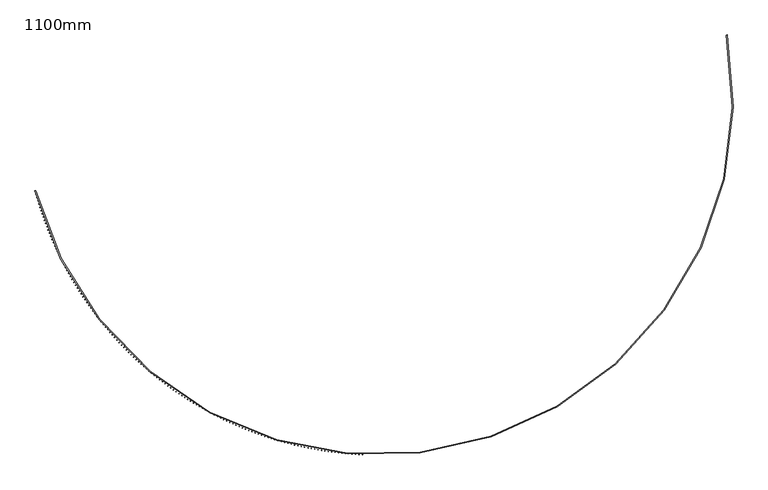
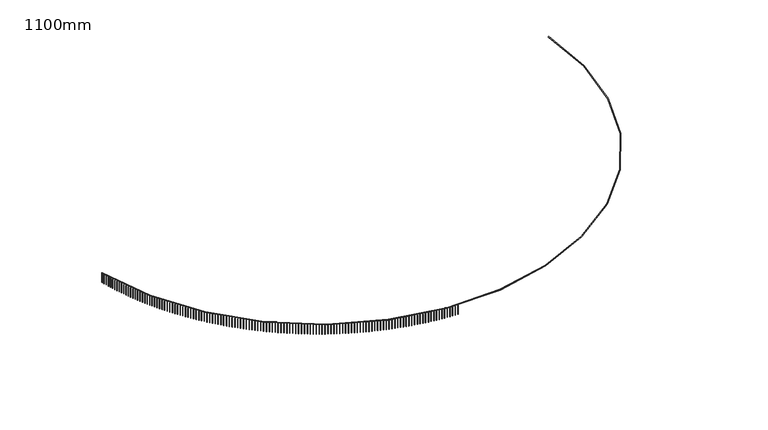
"""IFC4 building model written with IfcOpenShell, lengths in millimetres: railing geometry, 1100mm."""

from ifc_helpers import new_model, si_unit, point, frame, frame_2d, origin, place, context, project, spatial, polyline, circle_curve, trimmed, segment, composite_curve, outline, extrude, source, transform, mapped, element, save


def railing_1100mm_a543dc7d(model_context):
    return source(origin(), model_context, "Body", "SweptSolid", [
        extrude(outline(composite_curve([segment(trimmed(circle_curve(frame_2d((-9136.8690583, -54154.7608855)), 28388.8165606), [point((-36585.4829825, -61400.3457034))], [point((18767.7276518, -48933.8042532))], True, "CARTESIAN"), True, "CONTINUOUS"), segment(polyline([(18767.7276518, -48933.8042532), (18816.8748162, -48924.6088071)]), True, "CONTINUOUS"), segment(trimmed(circle_curve(frame_2d((-9136.8690583, -54154.7608855)), 28438.8165606), [point((18816.8748162, -48924.6088071))], [point((-36633.8270441, -61413.1070399))], False, "CARTESIAN"), True, "CONTINUOUS"), segment(polyline([(-36633.8270441, -61413.1070399), (-36585.4829825, -61400.3457034)]), True, "CONTINUOUS")], self_intersect=False)), frame((0.0, 0.0, 15650.0), z_axis=(0.0, 0.0, 1.0), x_axis=(1.0, 0.0, 0.0)), (0.0, 0.0, 1.0), 50.0),
        extrude(outline(polyline([(-36591.3081731, -61427.223434), (-36615.4775056, -61433.6143155), (-36621.8683871, -61409.444983), (-36597.6990545, -61403.0541015), (-36591.3081731, -61427.223434)])), frame((0.0, 0.0, 14600.0), z_axis=(0.0, 0.0, 1.0), x_axis=(1.0, 0.0, 0.0)), (0.0, 0.0, 1.0), 1050.0),
        extrude(outline(polyline([(-36519.6377071, -61692.593449), (-36543.7440551, -61699.2179477), (-36550.3685538, -61675.1115996), (-36526.2622058, -61668.4871009), (-36519.6377071, -61692.593449)])), frame((0.0, 0.0, 14600.0), z_axis=(0.0, 0.0, 1.0), x_axis=(1.0, 0.0, 0.0)), (0.0, 0.0, 1.0), 1050.0),
        extrude(outline(polyline([(-36445.4022833, -61957.2573914), (-36469.4433889, -61964.1148868), (-36476.3008843, -61940.0737813), (-36452.2597788, -61933.2162858), (-36445.4022833, -61957.2573914)])), frame((0.0, 0.0, 14600.0), z_axis=(0.0, 0.0, 1.0), x_axis=(1.0, 0.0, 0.0)), (0.0, 0.0, 1.0), 1050.0),
        extrude(outline(polyline([(-36368.6088556, -62221.19047), (-36392.5824667, -62228.2803198), (-36399.6723165, -62204.3067087), (-36375.6987054, -62197.2168589), (-36368.6088556, -62221.19047)])), frame((0.0, 0.0, 14600.0), z_axis=(0.0, 0.0, 1.0), x_axis=(1.0, 0.0, 0.0)), (0.0, 0.0, 1.0), 1050.0),
        extrude(outline(polyline([(-36289.264617, -62484.3679621), (-36313.1684881, -62491.6895022), (-36320.4900282, -62467.7856312), (-36296.5861571, -62460.4640911), (-36289.264617, -62484.3679621)])), frame((0.0, 0.0, 14600.0), z_axis=(0.0, 0.0, 1.0), x_axis=(1.0, 0.0, 0.0)), (0.0, 0.0, 1.0), 1050.0),
        extrude(outline(polyline([(-36207.3769999, -62746.7652157), (-36231.2088918, -62754.3177603), (-36238.7614364, -62730.4858684), (-36214.9295445, -62722.9333238), (-36207.3769999, -62746.7652157)])), frame((0.0, 0.0, 14600.0), z_axis=(0.0, 0.0, 1.0), x_axis=(1.0, 0.0, 0.0)), (0.0, 0.0, 1.0), 1050.0),
        extrude(outline(polyline([(-36122.9536747, -63008.357652), (-36146.7113551, -63016.1404936), (-36154.4941967, -62992.3828132), (-36130.7365163, -62984.5999716), (-36122.9536747, -63008.357652)])), frame((0.0, 0.0, 14600.0), z_axis=(0.0, 0.0, 1.0), x_axis=(1.0, 0.0, 0.0)), (0.0, 0.0, 1.0), 1050.0),
        extrude(outline(polyline([(-36036.0025494, -63269.1207673), (-36059.6837929, -63277.1331769), (-36067.6962025, -63253.4519335), (-36044.014959, -63245.4395239), (-36036.0025494, -63269.1207673)])), frame((0.0, 0.0, 14600.0), z_axis=(0.0, 0.0, 1.0), x_axis=(1.0, 0.0, 0.0)), (0.0, 0.0, 1.0), 1050.0),
        extrude(outline(polyline([(-35946.5317687, -63529.030136), (-35970.1343571, -63537.2713631), (-35978.3755841, -63513.6687748), (-35954.7729958, -63505.4275477), (-35946.5317687, -63529.030136)])), frame((0.0, 0.0, 14600.0), z_axis=(0.0, 0.0, 1.0), x_axis=(1.0, 0.0, 0.0)), (0.0, 0.0, 1.0), 1050.0),
        extrude(outline(polyline([(-35854.5497134, -63788.0614122), (-35878.0714358, -63796.5306848), (-35886.5407084, -63773.0089625), (-35863.018986, -63764.5396899), (-35854.5497134, -63788.0614122)])), frame((0.0, 0.0, 14600.0), z_axis=(0.0, 0.0, 1.0), x_axis=(1.0, 0.0, 0.0)), (0.0, 0.0, 1.0), 1050.0),
        extrude(outline(polyline([(-35760.0649996, -64046.1903323), (-35783.5036526, -64054.8868571), (-35792.2001774, -64031.448204), (-35768.7615243, -64022.7516793), (-35760.0649996, -64046.1903323)])), frame((0.0, 0.0, 14600.0), z_axis=(0.0, 0.0, 1.0), x_axis=(1.0, 0.0, 0.0)), (0.0, 0.0, 1.0), 1050.0),
        extrude(outline(polyline([(-35663.0864775, -64303.3927172), (-35686.4398658, -64312.3156796), (-35695.3628281, -64288.9622913), (-35672.0094399, -64280.039329), (-35663.0864775, -64303.3927172)])), frame((0.0, 0.0, 14600.0), z_axis=(0.0, 0.0, 1.0), x_axis=(1.0, 0.0, 0.0)), (0.0, 0.0, 1.0), 1050.0),
        extrude(outline(polyline([(-35563.6232314, -64559.6444747), (-35586.8891673, -64568.7930388), (-35596.0377314, -64545.5271029), (-35572.7717955, -64536.3785387), (-35563.6232314, -64559.6444747)])), frame((0.0, 0.0, 14600.0), z_axis=(0.0, 0.0, 1.0), x_axis=(1.0, 0.0, 0.0)), (0.0, 0.0, 1.0), 1050.0),
        extrude(outline(polyline([(-35461.6845778, -64814.9216014), (-35484.8608821, -64824.2949104), (-35494.234191, -64801.1186061), (-35471.0578868, -64791.7452972), (-35461.6845778, -64814.9216014)])), frame((0.0, 0.0, 14600.0), z_axis=(0.0, 0.0, 1.0), x_axis=(1.0, 0.0, 0.0)), (0.0, 0.0, 1.0), 1050.0),
        extrude(outline(polyline([(-35357.2800656, -65069.2001856), (-35380.3645673, -65078.7973613), (-35389.961743, -65055.7128597), (-35366.8772413, -65046.1156839), (-35357.2800656, -65069.2001856)])), frame((0.0, 0.0, 14600.0), z_axis=(0.0, 0.0, 1.0), x_axis=(1.0, 0.0, 0.0)), (0.0, 0.0, 1.0), 1050.0),
        extrude(outline(polyline([(-35250.4194743, -65322.4564087), (-35273.410011, -65332.2765523), (-35283.2301546, -65309.2860156), (-35260.2396179, -65299.465872), (-35250.4194743, -65322.4564087)])), frame((0.0, 0.0, 14600.0), z_axis=(0.0, 0.0, 1.0), x_axis=(1.0, 0.0, 0.0)), (0.0, 0.0, 1.0), 1050.0),
        extrude(outline(polyline([(-35141.1128135, -65574.6665482), (-35164.0072318, -65584.7087398), (-35174.0494234, -65561.8143215), (-35151.1550051, -65551.7721299), (-35141.1128135, -65574.6665482)])), frame((0.0, 0.0, 14600.0), z_axis=(0.0, 0.0, 1.0), x_axis=(1.0, 0.0, 0.0)), (0.0, 0.0, 1.0), 1050.0),
        extrude(outline(polyline([(-35029.3703222, -65825.8069794), (-35052.1664775, -65836.0702783), (-35062.4297764, -65813.274123), (-35039.6336211, -65803.0108241), (-35029.3703222, -65825.8069794)])), frame((0.0, 0.0, 14600.0), z_axis=(0.0, 0.0, 1.0), x_axis=(1.0, 0.0, 0.0)), (0.0, 0.0, 1.0), 1050.0),
        extrude(outline(polyline([(-34915.2024673, -66075.8541778), (-34937.8982242, -66086.3376226), (-34948.3816691, -66063.6418657), (-34925.6859121, -66053.1584208), (-34915.2024673, -66075.8541778)])), frame((0.0, 0.0, 14600.0), z_axis=(0.0, 0.0, 1.0), x_axis=(1.0, 0.0, 0.0)), (0.0, 0.0, 1.0), 1050.0),
        extrude(outline(polyline([(-34798.6199429, -66324.7847214), (-34821.2131756, -66335.4873302), (-34831.9157844, -66312.8940975), (-34809.3225517, -66302.1914887), (-34798.6199429, -66324.7847214)])), frame((0.0, 0.0, 14600.0), z_axis=(0.0, 0.0, 1.0), x_axis=(1.0, 0.0, 0.0)), (0.0, 0.0, 1.0), 1050.0),
        extrude(outline(polyline([(-34679.6336693, -66572.5752928), (-34702.1222615, -66583.496063), (-34713.0430317, -66561.0074709), (-34690.5544396, -66550.0867006), (-34679.6336693, -66572.5752928)])), frame((0.0, 0.0, 14600.0), z_axis=(0.0, 0.0, 1.0), x_axis=(1.0, 0.0, 0.0)), (0.0, 0.0, 1.0), 1050.0),
        extrude(outline(polyline([(-34558.2547922, -66819.2026812), (-34580.6366373, -66830.3405899), (-34591.774546, -66807.9587449), (-34569.3927009, -66796.8208361), (-34558.2547922, -66819.2026812)])), frame((0.0, 0.0, 14600.0), z_axis=(0.0, 0.0, 1.0), x_axis=(1.0, 0.0, 0.0)), (0.0, 0.0, 1.0), 1050.0),
        extrude(outline(polyline([(-34434.4946811, -67064.643785), (-34456.7676825, -67075.9977889), (-34468.1216865, -67053.7247874), (-34445.848685, -67042.3707835), (-34434.4946811, -67064.643785)])), frame((0.0, 0.0, 14600.0), z_axis=(0.0, 0.0, 1.0), x_axis=(1.0, 0.0, 0.0)), (0.0, 0.0, 1.0), 1050.0),
        extrude(outline(polyline([(-34308.3649286, -67308.8756136), (-34330.5270002, -67320.4446491), (-34342.0960358, -67298.2825776), (-34319.9339642, -67286.713542), (-34308.3649286, -67308.8756136)])), frame((0.0, 0.0, 14600.0), z_axis=(0.0, 0.0, 1.0), x_axis=(1.0, 0.0, 0.0)), (0.0, 0.0, 1.0), 1050.0),
        extrude(outline(polyline([(-34179.8773495, -67551.8752896), (-34201.9264152, -67563.6582732), (-34213.7093987, -67541.6092075), (-34191.6603331, -67529.8262239), (-34179.8773495, -67551.8752896)])), frame((0.0, 0.0, 14600.0), z_axis=(0.0, 0.0, 1.0), x_axis=(1.0, 0.0, 0.0)), (0.0, 0.0, 1.0), 1050.0),
        extrude(outline(polyline([(-34049.0439792, -67793.6200511), (-34070.9779736, -67805.615879), (-34082.9738015, -67783.6818845), (-34061.039807, -67771.6860567), (-34049.0439792, -67793.6200511)])), frame((0.0, 0.0, 14600.0), z_axis=(0.0, 0.0, 1.0), x_axis=(1.0, 0.0, 0.0)), (0.0, 0.0, 1.0), 1050.0),
        extrude(outline(polyline([(-33915.8770729, -68034.0872539), (-33937.6939416, -68046.2948024), (-33949.9014901, -68024.4779337), (-33928.0846213, -68012.2703852), (-33915.8770729, -68034.0872539)])), frame((0.0, 0.0, 14600.0), z_axis=(0.0, 0.0, 1.0), x_axis=(1.0, 0.0, 0.0)), (0.0, 0.0, 1.0), 1050.0),
        extrude(outline(polyline([(-33780.3891045, -68273.2543732), (-33802.0868038, -68285.6724988), (-33814.5049294, -68263.9747995), (-33792.80723, -68251.5566739), (-33780.3891045, -68273.2543732)])), frame((0.0, 0.0, 14600.0), z_axis=(0.0, 0.0, 1.0), x_axis=(1.0, 0.0, 0.0)), (0.0, 0.0, 1.0), 1050.0),
        extrude(outline(polyline([(-33642.5927651, -68511.0990061), (-33664.1692626, -68523.7265456), (-33676.7968021, -68502.1500481), (-33655.2203046, -68489.5225086), (-33642.5927651, -68511.0990061)])), frame((0.0, 0.0, 14600.0), z_axis=(0.0, 0.0, 1.0), x_axis=(1.0, 0.0, 0.0)), (0.0, 0.0, 1.0), 1050.0),
        extrude(outline(polyline([(-33502.5009623, -68747.5988736), (-33523.9542369, -68760.4346442), (-33536.7900075, -68738.9813695), (-33515.3367329, -68726.1455989), (-33502.5009623, -68747.5988736)])), frame((0.0, 0.0, 14600.0), z_axis=(0.0, 0.0, 1.0), x_axis=(1.0, 0.0, 0.0)), (0.0, 0.0, 1.0), 1050.0),
        extrude(outline(polyline([(-33360.1268185, -68982.7318226), (-33381.4548607, -68995.7746219), (-33394.49766, -68974.4465797), (-33373.1696178, -68961.4037804), (-33360.1268185, -68982.7318226)])), frame((0.0, 0.0, 14600.0), z_axis=(0.0, 0.0, 1.0), x_axis=(1.0, 0.0, 0.0)), (0.0, 0.0, 1.0), 1050.0),
        extrude(outline(polyline([(-33215.4836699, -69216.4758281), (-33236.6844819, -69229.7244345), (-33249.9330883, -69208.5236225), (-33228.7322763, -69195.2750161), (-33215.4836699, -69216.4758281)])), frame((0.0, 0.0, 14600.0), z_axis=(0.0, 0.0, 1.0), x_axis=(1.0, 0.0, 0.0)), (0.0, 0.0, 1.0), 1050.0),
        extrude(outline(polyline([(-33068.5850654, -69448.8089952), (-33089.6566613, -69462.2621676), (-33103.1098337, -69441.1905717), (-33082.0382378, -69427.7373993), (-33068.5850654, -69448.8089952)])), frame((0.0, 0.0, 14600.0), z_axis=(0.0, 0.0, 1.0), x_axis=(1.0, 0.0, 0.0)), (0.0, 0.0, 1.0), 1050.0),
        extrude(outline(polyline([(-32919.444765, -69679.7095611), (-32940.385171, -69693.3660394), (-32954.0416492, -69672.4256334), (-32933.1012433, -69658.7691552), (-32919.444765, -69679.7095611)])), frame((0.0, 0.0, 14600.0), z_axis=(0.0, 0.0, 1.0), x_axis=(1.0, 0.0, 0.0)), (0.0, 0.0, 1.0), 1050.0),
        extrude(outline(polyline([(-32768.0767388, -69909.1558973), (-32788.8839934, -69923.0144022), (-32802.7424983, -69902.2071476), (-32781.9352437, -69888.3486427), (-32768.0767388, -69909.1558973)])), frame((0.0, 0.0, 14600.0), z_axis=(0.0, 0.0, 1.0), x_axis=(1.0, 0.0, 0.0)), (0.0, 0.0, 1.0), 1050.0),
        extrude(outline(polyline([(-32614.4951655, -70137.1265113), (-32635.1673196, -70151.1857448), (-32649.226553, -70130.5135906), (-32628.5543989, -70116.4543572), (-32614.4951655, -70137.1265113)])), frame((0.0, 0.0, 14600.0), z_axis=(0.0, 0.0, 1.0), x_axis=(1.0, 0.0, 0.0)), (0.0, 0.0, 1.0), 1050.0),
        extrude(outline(polyline([(-32458.7144311, -70363.6000492), (-32479.2495484, -70377.8586942), (-32493.5081934, -70357.3235769), (-32472.9730761, -70343.0649319), (-32458.7144311, -70363.6000492)])), frame((0.0, 0.0, 14600.0), z_axis=(0.0, 0.0, 1.0), x_axis=(1.0, 0.0, 0.0)), (0.0, 0.0, 1.0), 1050.0),
        extrude(outline(polyline([(-32300.7491278, -70588.5552969), (-32321.1452847, -70603.0120178), (-32335.6020057, -70582.6158609), (-32315.2058487, -70568.1591399), (-32300.7491278, -70588.5552969)])), frame((0.0, 0.0, 14600.0), z_axis=(0.0, 0.0, 1.0), x_axis=(1.0, 0.0, 0.0)), (0.0, 0.0, 1.0), 1050.0),
        extrude(outline(polyline([(-32140.6140521, -70811.9711828), (-32160.8693382, -70826.6246255), (-32175.522781, -70806.3693394), (-32155.2674948, -70791.7158967), (-32140.6140521, -70811.9711828)])), frame((0.0, 0.0, 14600.0), z_axis=(0.0, 0.0, 1.0), x_axis=(1.0, 0.0, 0.0)), (0.0, 0.0, 1.0), 1050.0),
        extrude(outline(polyline([(-31978.3242041, -71033.8267794), (-31998.436722, -71048.6755714), (-32013.2855139, -71028.5630535), (-31993.172996, -71013.7142615), (-31978.3242041, -71033.8267794)])), frame((0.0, 0.0, 14600.0), z_axis=(0.0, 0.0, 1.0), x_axis=(1.0, 0.0, 0.0)), (0.0, 0.0, 1.0), 1050.0),
        extrude(outline(polyline([(-31813.8947854, -71254.1013055), (-31833.8626512, -71269.1440558), (-31848.9054015, -71249.17619), (-31828.9375357, -71234.1334397), (-31813.8947854, -71254.1013055)])), frame((0.0, 0.0, 14600.0), z_axis=(0.0, 0.0, 1.0), x_axis=(1.0, 0.0, 0.0)), (0.0, 0.0, 1.0), 1050.0),
        extrude(outline(polyline([(-31647.3411984, -71472.7741277), (-31667.1625417, -71488.0094272), (-31682.3978412, -71468.188084), (-31662.5764979, -71452.9527845), (-31647.3411984, -71472.7741277)])), frame((0.0, 0.0, 14600.0), z_axis=(0.0, 0.0, 1.0), x_axis=(1.0, 0.0, 0.0)), (0.0, 0.0, 1.0), 1050.0),
        extrude(outline(polyline([(-31478.6790441, -71689.8247629), (-31498.3520082, -71705.2511846), (-31513.7784298, -71685.5782205), (-31494.1054658, -71670.1517989), (-31478.6790441, -71689.8247629)])), frame((0.0, 0.0, 14600.0), z_axis=(0.0, 0.0, 1.0), x_axis=(1.0, 0.0, 0.0)), (0.0, 0.0, 1.0), 1050.0),
        extrude(outline(polyline([(-31307.9241212, -71905.2328799), (-31327.4468633, -71920.8489787), (-31343.0629621, -71901.3262366), (-31323.54022, -71885.7101378), (-31307.9241212, -71905.2328799)])), frame((0.0, 0.0, 14600.0), z_axis=(0.0, 0.0, 1.0), x_axis=(1.0, 0.0, 0.0)), (0.0, 0.0, 1.0), 1050.0),
        extrude(outline(polyline([(-31135.0924245, -72118.9783012), (-31154.4631159, -72134.7826144), (-31170.267429, -72115.411923), (-31150.8967377, -72099.6076098), (-31135.0924245, -72118.9783012)])), frame((0.0, 0.0, 14600.0), z_axis=(0.0, 0.0, 1.0), x_axis=(1.0, 0.0, 0.0)), (0.0, 0.0, 1.0), 1050.0),
        extrude(outline(polyline([(-30960.2001431, -72331.0410053), (-30979.4169693, -72347.0320524), (-30995.4080165, -72327.8152262), (-30976.1911902, -72311.824179), (-30960.2001431, -72331.0410053)])), frame((0.0, 0.0, 14600.0), z_axis=(0.0, 0.0, 1.0), x_axis=(1.0, 0.0, 0.0)), (0.0, 0.0, 1.0), 1050.0),
        extrude(outline(polyline([(-30783.2636593, -72541.401128), (-30802.3248203, -72557.5774112), (-30818.5011036, -72538.5162502), (-30799.4399425, -72522.339967), (-30783.2636593, -72541.401128)])), frame((0.0, 0.0, 14600.0), z_axis=(0.0, 0.0, 1.0), x_axis=(1.0, 0.0, 0.0)), (0.0, 0.0, 1.0), 1050.0),
        extrude(outline(polyline([(-30604.2995468, -72750.0389649), (-30623.2032571, -72766.398969), (-30639.5632613, -72747.4952586), (-30620.6595509, -72731.1352545), (-30604.2995468, -72750.0389649)])), frame((0.0, 0.0, 14600.0), z_axis=(0.0, 0.0, 1.0), x_axis=(1.0, 0.0, 0.0)), (0.0, 0.0, 1.0), 1050.0),
        extrude(outline(polyline([(-30423.3245693, -72956.9349727), (-30442.0690583, -72973.4771652), (-30458.6112508, -72954.7326762), (-30439.8667618, -72938.1904837), (-30423.3245693, -72956.9349727)])), frame((0.0, 0.0, 14600.0), z_axis=(0.0, 0.0, 1.0), x_axis=(1.0, 0.0, 0.0)), (0.0, 0.0, 1.0), 1050.0),
        extrude(outline(polyline([(-30240.3556788, -73162.0697714), (-30258.9391906, -73178.7926028), (-30275.662022, -73160.2090911), (-30257.0785102, -73143.4862597), (-30240.3556788, -73162.0697714)])), frame((0.0, 0.0, 14600.0), z_axis=(0.0, 0.0, 1.0), x_axis=(1.0, 0.0, 0.0)), (0.0, 0.0, 1.0), 1050.0),
        extrude(outline(polyline([(-30055.4100141, -73365.424146), (-30073.830808, -73382.3260498), (-30090.7327118, -73363.905256), (-30072.3119179, -73347.0033521), (-30055.4100141, -73365.424146)])), frame((0.0, 0.0, 14600.0), z_axis=(0.0, 0.0, 1.0), x_axis=(1.0, 0.0, 0.0)), (0.0, 0.0, 1.0), 1050.0),
        extrude(outline(polyline([(-29868.5048991, -73566.979048), (-29886.7612496, -73584.0584411), (-29903.8406427, -73565.8020907), (-29885.5842922, -73548.7226976), (-29868.5048991, -73566.979048)])), frame((0.0, 0.0, 14600.0), z_axis=(0.0, 0.0, 1.0), x_axis=(1.0, 0.0, 0.0)), (0.0, 0.0, 1.0), 1050.0),
        extrude(outline(polyline([(-29679.6578414, -73766.7155978), (-29697.7480384, -73783.9708803), (-29715.0033209, -73765.8806834), (-29696.9131239, -73748.6254009), (-29679.6578414, -73766.7155978)])), frame((0.0, 0.0, 14600.0), z_axis=(0.0, 0.0, 1.0), x_axis=(1.0, 0.0, 0.0)), (0.0, 0.0, 1.0), 1050.0),
        extrude(outline(polyline([(-29488.8865303, -73964.615086), (-29506.8088793, -73982.0446416), (-29524.2384349, -73964.1222926), (-29506.3160859, -73946.692737), (-29488.8865303, -73964.615086)])), frame((0.0, 0.0, 14600.0), z_axis=(0.0, 0.0, 1.0), x_axis=(1.0, 0.0, 0.0)), (0.0, 0.0, 1.0), 1050.0),
        extrude(outline(polyline([(-29296.2088356, -74160.6589751), (-29313.9616577, -74178.2611712), (-29331.5638537, -74160.508349), (-29313.8110316, -74142.906153), (-29296.2088356, -74160.6589751)])), frame((0.0, 0.0, 14600.0), z_axis=(0.0, 0.0, 1.0), x_axis=(1.0, 0.0, 0.0)), (0.0, 0.0, 1.0), 1050.0),
        extrude(outline(polyline([(-29101.6428053, -74354.8289017), (-29119.2244377, -74372.6020894), (-29136.9976254, -74355.020457), (-29119.415993, -74337.2472693), (-29101.6428053, -74354.8289017)])), frame((0.0, 0.0, 14600.0), z_axis=(0.0, 0.0, 1.0), x_axis=(1.0, 0.0, 0.0)), (0.0, 0.0, 1.0), 1050.0),
        extrude(outline(polyline([(-28905.2066646, -74547.1066778), (-28922.6154604, -74565.0491923), (-28940.5579749, -74547.6403965), (-28923.1491791, -74529.6978819), (-28905.2066646, -74547.1066778)])), frame((0.0, 0.0, 14600.0), z_axis=(0.0, 0.0, 1.0), x_axis=(1.0, 0.0, 0.0)), (0.0, 0.0, 1.0), 1050.0),
        extrude(outline(polyline([(-28706.9188137, -74737.4742925), (-28724.1531423, -74755.5844532), (-28742.263303, -74738.3501247), (-28725.0289744, -74720.239964), (-28706.9188137, -74737.4742925)])), frame((0.0, 0.0, 14600.0), z_axis=(0.0, 0.0, 1.0), x_axis=(1.0, 0.0, 0.0)), (0.0, 0.0, 1.0), 1050.0),
        extrude(outline(polyline([(-28506.7978265, -74925.9139142), (-28523.8560734, -74944.1900246), (-28542.1321838, -74927.1317777), (-28525.0739369, -74908.8556673), (-28506.7978265, -74925.9139142)])), frame((0.0, 0.0, 14600.0), z_axis=(0.0, 0.0, 1.0), x_axis=(1.0, 0.0, 0.0)), (0.0, 0.0, 1.0), 1050.0),
        extrude(outline(polyline([(-28304.8624483, -75112.4078915), (-28321.7430157, -75130.8482397), (-28340.183364, -75113.9676723), (-28323.3027966, -75095.5273241), (-28304.8624483, -75112.4078915)])), frame((0.0, 0.0, 14600.0), z_axis=(0.0, 0.0, 1.0), x_axis=(1.0, 0.0, 0.0)), (0.0, 0.0, 1.0), 1050.0),
        extrude(outline(polyline([(-28101.1315945, -75296.9387554), (-28117.8329012, -75315.5416142), (-28136.43576, -75298.8403075), (-28119.7344533, -75280.2374487), (-28101.1315945, -75296.9387554)])), frame((0.0, 0.0, 14600.0), z_axis=(0.0, 0.0, 1.0), x_axis=(1.0, 0.0, 0.0)), (0.0, 0.0, 1.0), 1050.0),
        extrude(outline(polyline([(-27895.6243487, -75479.489221), (-27912.1448303, -75498.2528477), (-27930.908457, -75481.7323661), (-27914.3879754, -75462.9687394), (-27895.6243487, -75479.489221)])), frame((0.0, 0.0, 14600.0), z_axis=(0.0, 0.0, 1.0), x_axis=(1.0, 0.0, 0.0)), (0.0, 0.0, 1.0), 1050.0),
        extrude(outline(polyline([(-27688.3599609, -75660.0421884), (-27704.6980699, -75678.9648255), (-27723.6207069, -75662.6267165), (-27707.282598, -75643.7040795), (-27688.3599609, -75660.0421884)])), frame((0.0, 0.0, 14600.0), z_axis=(0.0, 0.0, 1.0), x_axis=(1.0, 0.0, 0.0)), (0.0, 0.0, 1.0), 1050.0),
        extrude(outline(polyline([(-27479.3578455, -75838.5807454), (-27495.5120515, -75857.6606204), (-27514.5919265, -75841.5064144), (-27498.4377205, -75822.4265394), (-27479.3578455, -75838.5807454)])), frame((0.0, 0.0, 14600.0), z_axis=(0.0, 0.0, 1.0), x_axis=(1.0, 0.0, 0.0)), (0.0, 0.0, 1.0), 1050.0),
        extrude(outline(polyline([(-27268.63758, -76015.0881681), (-27284.6063699, -76034.3234937), (-27303.8416955, -76018.3547039), (-27287.8729057, -75999.1193782), (-27268.63758, -76015.0881681)])), frame((0.0, 0.0, 14600.0), z_axis=(0.0, 0.0, 1.0), x_axis=(1.0, 0.0, 0.0)), (0.0, 0.0, 1.0), 1050.0),
        extrude(outline(polyline([(-27056.2189027, -76189.5479229), (-27072.0007805, -76208.9368974), (-27091.389755, -76193.1550195), (-27075.6078772, -76173.766045), (-27056.2189027, -76189.5479229)])), frame((0.0, 0.0, 14600.0), z_axis=(0.0, 0.0, 1.0), x_axis=(1.0, 0.0, 0.0)), (0.0, 0.0, 1.0), 1050.0),
        extrude(outline(polyline([(-26842.1217108, -76361.9436681), (-26857.7151983, -76381.4844753), (-26877.2560055, -76365.8909877), (-26861.662518, -76346.3501805), (-26842.1217108, -76361.9436681)])), frame((0.0, 0.0, 14600.0), z_axis=(0.0, 0.0, 1.0), x_axis=(1.0, 0.0, 0.0)), (0.0, 0.0, 1.0), 1050.0),
        extrude(outline(polyline([(-26626.366059, -76532.2592553), (-26641.7696956, -76551.9500648), (-26661.4605051, -76536.5464281), (-26646.0568685, -76516.8556187), (-26626.366059, -76532.2592553)])), frame((0.0, 0.0, 14600.0), z_axis=(0.0, 0.0, 1.0), x_axis=(1.0, 0.0, 0.0)), (0.0, 0.0, 1.0), 1050.0),
        extrude(outline(polyline([(-26408.9721572, -76700.478731), (-26424.1845, -76720.3176983), (-26444.0234674, -76705.1053555), (-26428.8111245, -76685.2663881), (-26408.9721572, -76700.478731)])), frame((0.0, 0.0, 14600.0), z_axis=(0.0, 0.0, 1.0), x_axis=(1.0, 0.0, 0.0)), (0.0, 0.0, 1.0), 1050.0),
        extrude(outline(polyline([(-26189.9603688, -76866.5863379), (-26204.9799929, -76886.5716048), (-26224.9652598, -76871.5519807), (-26209.9456357, -76851.5667138), (-26189.9603688, -76866.5863379)])), frame((0.0, 0.0, 14600.0), z_axis=(0.0, 0.0, 1.0), x_axis=(1.0, 0.0, 0.0)), (0.0, 0.0, 1.0), 1050.0),
        extrude(outline(polyline([(-25969.3512088, -77030.5665168), (-25984.1767073, -77050.6962111), (-26004.3064016, -77035.8707127), (-25989.4809032, -77015.7410183), (-25969.3512088, -77030.5665168)])), frame((0.0, 0.0, 14600.0), z_axis=(0.0, 0.0, 1.0), x_axis=(1.0, 0.0, 0.0)), (0.0, 0.0, 1.0), 1050.0),
        extrude(outline(polyline([(-25747.1653417, -77192.4039074), (-25761.7953258, -77212.6761437), (-25782.0675621, -77198.0461596), (-25767.437578, -77177.7739233), (-25747.1653417, -77192.4039074)])), frame((0.0, 0.0, 14600.0), z_axis=(0.0, 0.0, 1.0), x_axis=(1.0, 0.0, 0.0)), (0.0, 0.0, 1.0), 1050.0),
        extrude(outline(polyline([(-25523.4235798, -77352.0833504), (-25537.8566792, -77372.4962297), (-25558.2695585, -77358.0631304), (-25543.8364591, -77337.650251), (-25523.4235798, -77352.0833504)])), frame((0.0, 0.0, 14600.0), z_axis=(0.0, 0.0, 1.0), x_axis=(1.0, 0.0, 0.0)), (0.0, 0.0, 1.0), 1050.0),
        extrude(outline(polyline([(-25298.1468811, -77509.5898885), (-25312.3817438, -77530.1414988), (-25332.933354, -77515.9066362), (-25318.6984914, -77495.3550259), (-25298.1468811, -77509.5898885)])), frame((0.0, 0.0, 14600.0), z_axis=(0.0, 0.0, 1.0), x_axis=(1.0, 0.0, 0.0)), (0.0, 0.0, 1.0), 1050.0),
        extrude(outline(polyline([(-25071.3563474, -77664.9087681), (-25085.3916399, -77685.5971842), (-25106.0800561, -77671.5618917), (-25092.0447635, -77650.8734755), (-25071.3563474, -77664.9087681)])), frame((0.0, 0.0, 14600.0), z_axis=(0.0, 0.0, 1.0), x_axis=(1.0, 0.0, 0.0)), (0.0, 0.0, 1.0), 1050.0),
        extrude(outline(polyline([(-24843.0732222, -77818.0254403), (-24856.90763, -77838.8487244), (-24877.7309141, -77825.0143166), (-24863.8965063, -77804.1910325), (-24843.0732222, -77818.0254403)])), frame((0.0, 0.0, 14600.0), z_axis=(0.0, 0.0, 1.0), x_axis=(1.0, 0.0, 0.0)), (0.0, 0.0, 1.0), 1050.0),
        extrude(outline(polyline([(-24613.318889, -77968.9255625), (-24626.9511161, -77989.8817641), (-24647.9073176, -77976.249537), (-24634.2750905, -77955.2933354), (-24613.318889, -77968.9255625)])), frame((0.0, 0.0, 14600.0), z_axis=(0.0, 0.0, 1.0), x_axis=(1.0, 0.0, 0.0)), (0.0, 0.0, 1.0), 1050.0),
        extrude(outline(polyline([(-24382.1148689, -78117.595), (-24395.5436384, -78138.6821561), (-24416.6307944, -78125.2533865), (-24403.2020249, -78104.1662305), (-24382.1148689, -78117.595)])), frame((0.0, 0.0, 14600.0), z_axis=(0.0, 0.0, 1.0), x_axis=(1.0, 0.0, 0.0)), (0.0, 0.0, 1.0), 1050.0),
        extrude(outline(polyline([(-24149.482819, -78264.0198268), (-24162.7068731, -78285.235962), (-24183.9230083, -78272.011908), (-24170.6989542, -78250.7957727), (-24149.482819, -78264.0198268)])), frame((0.0, 0.0, 14600.0), z_axis=(0.0, 0.0, 1.0), x_axis=(1.0, 0.0, 0.0)), (0.0, 0.0, 1.0), 1050.0),
        extrude(outline(polyline([(-23915.44453, -78408.1863272), (-23928.4626299, -78429.5294543), (-23949.805757, -78416.5113544), (-23936.7876571, -78395.1682273), (-23915.44453, -78408.1863272)])), frame((0.0, 0.0, 14600.0), z_axis=(0.0, 0.0, 1.0), x_axis=(1.0, 0.0, 0.0)), (0.0, 0.0, 1.0), 1050.0),
        extrude(outline(polyline([(-23680.0219244, -78550.0809969), (-23692.8328507, -78571.5491167), (-23714.3009705, -78558.7381904), (-23701.4900442, -78537.2700706), (-23680.0219244, -78550.0809969)])), frame((0.0, 0.0, 14600.0), z_axis=(0.0, 0.0, 1.0), x_axis=(1.0, 0.0, 0.0)), (0.0, 0.0, 1.0), 1050.0),
        extrude(outline(polyline([(-23443.2370544, -78689.6905448), (-23455.8396071, -78711.2816463), (-23477.4307086, -78698.6790937), (-23464.8281559, -78677.0879921), (-23443.2370544, -78689.6905448)])), frame((0.0, 0.0, 14600.0), z_axis=(0.0, 0.0, 1.0), x_axis=(1.0, 0.0, 0.0)), (0.0, 0.0, 1.0), 1050.0),
        extrude(outline(polyline([(-23205.1120996, -78827.0018935), (-23217.5050983, -78848.7139543), (-23239.2171591, -78836.3209557), (-23226.8241605, -78814.6088949), (-23205.1120996, -78827.0018935)])), frame((0.0, 0.0, 14600.0), z_axis=(0.0, 0.0, 1.0), x_axis=(1.0, 0.0, 0.0)), (0.0, 0.0, 1.0), 1050.0),
        extrude(outline(polyline([(-22965.6693655, -78962.0021809), (-22977.8516492, -78983.8331673), (-22999.6826355, -78971.6508836), (-22987.5003518, -78949.8198973), (-22965.6693655, -78962.0021809)])), frame((0.0, 0.0, 14600.0), z_axis=(0.0, 0.0, 1.0), x_axis=(1.0, 0.0, 0.0)), (0.0, 0.0, 1.0), 1050.0),
        extrude(outline(polyline([(-22724.9312807, -79094.6787616), (-22736.9017083, -79116.6266285), (-22758.8495752, -79104.6562009), (-22746.8791476, -79082.708334), (-22724.9312807, -79094.6787616)])), frame((0.0, 0.0, 14600.0), z_axis=(0.0, 0.0, 1.0), x_axis=(1.0, 0.0, 0.0)), (0.0, 0.0, 1.0), 1050.0),
        extrude(outline(polyline([(-22482.9203953, -79225.0192076), (-22494.6778455, -79247.0818993), (-22516.7405372, -79235.324449), (-22504.9830869, -79213.2617573), (-22482.9203953, -79225.0192076)])), frame((0.0, 0.0, 14600.0), z_axis=(0.0, 0.0, 1.0), x_axis=(1.0, 0.0, 0.0)), (0.0, 0.0, 1.0), 1050.0),
        extrude(outline(polyline([(-22239.6593785, -79353.0113099), (-22251.2027501, -79375.1867597), (-22273.3781998, -79363.6433881), (-22261.8348282, -79341.4679383), (-22239.6593785, -79353.0113099)])), frame((0.0, 0.0, 14600.0), z_axis=(0.0, 0.0, 1.0), x_axis=(1.0, 0.0, 0.0)), (0.0, 0.0, 1.0), 1050.0),
        extrude(outline(polyline([(-21995.1710167, -79478.6430794), (-22006.4992284, -79500.9292101), (-22028.7853591, -79489.6009984), (-22017.4571474, -79467.3148678), (-21995.1710167, -79478.6430794)])), frame((0.0, 0.0, 14600.0), z_axis=(0.0, 0.0, 1.0), x_axis=(1.0, 0.0, 0.0)), (0.0, 0.0, 1.0), 1050.0),
        extrude(outline(polyline([(-21749.4782114, -79601.9027482), (-21760.590202, -79624.2974722), (-21782.984926, -79613.1854816), (-21771.8729354, -79590.7907575), (-21749.4782114, -79601.9027482)])), frame((0.0, 0.0, 14600.0), z_axis=(0.0, 0.0, 1.0), x_axis=(1.0, 0.0, 0.0)), (0.0, 0.0, 1.0), 1050.0),
        extrude(outline(polyline([(-21502.6039766, -79722.7787703), (-21513.4987053, -79745.27999), (-21535.9999249, -79734.3852613), (-21525.1051963, -79711.8840416), (-21502.6039766, -79722.7787703)])), frame((0.0, 0.0, 14600.0), z_axis=(0.0, 0.0, 1.0), x_axis=(1.0, 0.0, 0.0)), (0.0, 0.0, 1.0), 1050.0),
        extrude(outline(polyline([(-21254.5714372, -79841.2598233), (-21265.2478834, -79863.8654309), (-21287.853491, -79853.1889847), (-21277.1770448, -79830.5833771), (-21254.5714372, -79841.2598233)])), frame((0.0, 0.0, 14600.0), z_axis=(0.0, 0.0, 1.0), x_axis=(1.0, 0.0, 0.0)), (0.0, 0.0, 1.0), 1050.0),
        extrude(outline(polyline([(-21005.4038265, -79957.3348091), (-21015.8609902, -79980.0426872), (-21038.5688683, -79969.5855234), (-21028.1117045, -79946.8776454), (-21005.4038265, -79957.3348091)])), frame((0.0, 0.0, 14600.0), z_axis=(0.0, 0.0, 1.0), x_axis=(1.0, 0.0, 0.0)), (0.0, 0.0, 1.0), 1050.0),
        extrude(outline(polyline([(-20755.1244842, -80070.9928548), (-20765.3613859, -80093.8008763), (-20788.1694073, -80083.5639745), (-20777.9325056, -80060.7559531), (-20755.1244842, -80070.9928548)])), frame((0.0, 0.0, 14600.0), z_axis=(0.0, 0.0, 1.0), x_axis=(1.0, 0.0, 0.0)), (0.0, 0.0, 1.0), 1050.0),
        extrude(outline(polyline([(-20503.756854, -80182.223314), (-20513.7725348, -80205.1293424), (-20536.6785632, -80195.1136616), (-20526.6628824, -80172.2076332), (-20503.756854, -80182.223314)])), frame((0.0, 0.0, 14600.0), z_axis=(0.0, 0.0, 1.0), x_axis=(1.0, 0.0, 0.0)), (0.0, 0.0, 1.0), 1050.0),
        extrude(outline(polyline([(-20251.3244818, -80291.0157677), (-20261.1180034, -80314.0176574), (-20284.1198932, -80304.2241358), (-20274.3263715, -80281.222246), (-20251.3244818, -80291.0157677)])), frame((0.0, 0.0, 14600.0), z_axis=(0.0, 0.0, 1.0), x_axis=(1.0, 0.0, 0.0)), (0.0, 0.0, 1.0), 1050.0),
        extrude(outline(polyline([(-19997.8510129, -80397.3600252), (-20007.4214581, -80420.4556217), (-20030.5170546, -80410.8851765), (-20020.9466094, -80387.78958), (-19997.8510129, -80397.3600252)])), frame((0.0, 0.0, 14600.0), z_axis=(0.0, 0.0, 1.0), x_axis=(1.0, 0.0, 0.0)), (0.0, 0.0, 1.0), 1050.0),
        extrude(outline(polyline([(-19743.3601904, -80501.2461253), (-19752.7066626, -80524.4332652), (-19775.8938025, -80515.0867929), (-19766.5473303, -80491.899653), (-19743.3601904, -80501.2461253)])), frame((0.0, 0.0, 14600.0), z_axis=(0.0, 0.0, 1.0), x_axis=(1.0, 0.0, 0.0)), (0.0, 0.0, 1.0), 1050.0),
        extrude(outline(polyline([(-19487.8758525, -80602.6643369), (-19496.9974763, -80625.9408482), (-19520.2739876, -80616.8192243), (-19511.1523638, -80593.542713), (-19487.8758525, -80602.6643369)])), frame((0.0, 0.0, 14600.0), z_axis=(0.0, 0.0, 1.0), x_axis=(1.0, 0.0, 0.0)), (0.0, 0.0, 1.0), 1050.0),
        extrude(outline(polyline([(-19231.4219306, -80701.60516), (-19240.3178516, -80724.9688624), (-19263.681554, -80716.0729414), (-19254.785633, -80692.709239), (-19231.4219306, -80701.60516)])), frame((0.0, 0.0, 14600.0), z_axis=(0.0, 0.0, 1.0), x_axis=(1.0, 0.0, 0.0)), (0.0, 0.0, 1.0), 1050.0),
        extrude(outline(polyline([(-18974.0224469, -80798.0593269), (-18982.6918317, -80821.5080319), (-19006.1405367, -80812.838647), (-18997.4711519, -80789.389942), (-18974.0224469, -80798.0593269)])), frame((0.0, 0.0, 14600.0), z_axis=(0.0, 0.0, 1.0), x_axis=(1.0, 0.0, 0.0)), (0.0, 0.0, 1.0), 1050.0),
        extrude(outline(polyline([(-18715.701512, -80892.0178026), (-18724.1435487, -80915.5493137), (-18747.6750598, -80907.1072771), (-18739.2330232, -80883.5757659), (-18715.701512, -80892.0178026)])), frame((0.0, 0.0, 14600.0), z_axis=(0.0, 0.0, 1.0), x_axis=(1.0, 0.0, 0.0)), (0.0, 0.0, 1.0), 1050.0),
        extrude(outline(polyline([(-18456.4833231, -80983.471786), (-18464.6972208, -81007.0838991), (-18488.3093339, -80998.8700014), (-18480.0954362, -80975.2578883), (-18456.4833231, -80983.471786)])), frame((0.0, 0.0, 14600.0), z_axis=(0.0, 0.0, 1.0), x_axis=(1.0, 0.0, 0.0)), (0.0, 0.0, 1.0), 1050.0),
        extrude(outline(polyline([(-18196.3921612, -81072.4127105), (-18204.3771505, -81096.1032138), (-18228.0676538, -81088.1182245), (-18220.0826645, -81064.4277212), (-18196.3921612, -81072.4127105)])), frame((0.0, 0.0, 14600.0), z_axis=(0.0, 0.0, 1.0), x_axis=(1.0, 0.0, 0.0)), (0.0, 0.0, 1.0), 1050.0),
        extrude(outline(polyline([(-17935.4523893, -81158.8322451), (-17943.2077223, -81182.5989194), (-17966.9743966, -81174.8435865), (-17959.2190637, -81151.0769121), (-17935.4523893, -81158.8322451)])), frame((0.0, 0.0, 14600.0), z_axis=(0.0, 0.0, 1.0), x_axis=(1.0, 0.0, 0.0)), (0.0, 0.0, 1.0), 1050.0),
        extrude(outline(polyline([(-17673.6884496, -81242.7222947), (-17681.2133998, -81266.5629139), (-17705.054019, -81259.0379637), (-17697.5290688, -81235.1973445), (-17673.6884496, -81242.7222947)])), frame((0.0, 0.0, 14600.0), z_axis=(0.0, 0.0, 1.0), x_axis=(1.0, 0.0, 0.0)), (0.0, 0.0, 1.0), 1050.0),
        extrude(outline(polyline([(-17411.1248618, -81324.0750013), (-17418.4187243, -81347.9873322), (-17442.3310552, -81340.6934697), (-17435.0371927, -81316.7811388), (-17411.1248618, -81324.0750013)])), frame((0.0, 0.0, 14600.0), z_axis=(0.0, 0.0, 1.0), x_axis=(1.0, 0.0, 0.0)), (0.0, 0.0, 1.0), 1050.0),
        extrude(outline(polyline([(-17147.7862202, -81402.8827446), (-17154.8483119, -81426.8645473), (-17178.8301146, -81419.8024557), (-17171.7680229, -81395.820653), (-17147.7862202, -81402.8827446)])), frame((0.0, 0.0, 14600.0), z_axis=(0.0, 0.0, 1.0), x_axis=(1.0, 0.0, 0.0)), (0.0, 0.0, 1.0), 1050.0),
        extrude(outline(polyline([(-16883.697192, -81479.1381427), (-16890.5268514, -81503.1871708), (-16914.5758795, -81496.3575115), (-16907.7462202, -81472.3084834), (-16883.697192, -81479.1381427)])), frame((0.0, 0.0, 14600.0), z_axis=(0.0, 0.0, 1.0), x_axis=(1.0, 0.0, 0.0)), (0.0, 0.0, 1.0), 1050.0),
        extrude(outline(polyline([(-16618.8825146, -81552.8340525), (-16625.4791018, -81576.9480534), (-16649.5931026, -81570.3514662), (-16642.9965154, -81546.2374653), (-16618.8825146, -81552.8340525)])), frame((0.0, 0.0, 14600.0), z_axis=(0.0, 0.0, 1.0), x_axis=(1.0, 0.0, 0.0)), (0.0, 0.0, 1.0), 1050.0),
        extrude(outline(polyline([(-16353.3669931, -81623.9635711), (-16359.7298903, -81648.1402859), (-16383.9066051, -81641.7773887), (-16377.5437079, -81617.6006739), (-16353.3669931, -81623.9635711)])), frame((0.0, 0.0, 14600.0), z_axis=(0.0, 0.0, 1.0), x_axis=(1.0, 0.0, 0.0)), (0.0, 0.0, 1.0), 1050.0),
        extrude(outline(polyline([(-16087.1754987, -81692.5200356), (-16093.3041099, -81716.7571998), (-16117.541274, -81710.6285886), (-16111.4126628, -81686.3914245), (-16087.1754987, -81692.5200356)])), frame((0.0, 0.0, 14600.0), z_axis=(0.0, 0.0, 1.0), x_axis=(1.0, 0.0, 0.0)), (0.0, 0.0, 1.0), 1050.0),
        extrude(outline(polyline([(-15820.3329656, -81758.4970244), (-15826.2267166, -81782.7923675), (-15850.5220598, -81776.8986165), (-15844.6283087, -81752.6032733), (-15820.3329656, -81758.4970244)])), frame((0.0, 0.0, 14600.0), z_axis=(0.0, 0.0, 1.0), x_axis=(1.0, 0.0, 0.0)), (0.0, 0.0, 1.0), 1050.0),
        extrude(outline(polyline([(-15552.864389, -81821.8883573), (-15558.5227279, -81846.2396037), (-15582.8739743, -81840.5812648), (-15577.2156354, -81816.2300184), (-15552.864389, -81821.8883573)])), frame((0.0, 0.0, 14600.0), z_axis=(0.0, 0.0, 1.0), x_axis=(1.0, 0.0, 0.0)), (0.0, 0.0, 1.0), 1050.0),
        extrude(outline(polyline([(-15284.7948229, -81882.6880965), (-15290.2172196, -81907.0929652), (-15314.6220883, -81901.6705685), (-15309.1996916, -81877.2656998), (-15284.7948229, -81882.6880965)])), frame((0.0, 0.0, 14600.0), z_axis=(0.0, 0.0, 1.0), x_axis=(1.0, 0.0, 0.0)), (0.0, 0.0, 1.0), 1050.0),
        extrude(outline(polyline([(-15016.1493776, -81940.8905468), (-15021.3353241, -81965.3467517), (-15045.791529, -81960.1608051), (-15040.6055825, -81935.7046002), (-15016.1493776, -81940.8905468)])), frame((0.0, 0.0, 14600.0), z_axis=(0.0, 0.0, 1.0), x_axis=(1.0, 0.0, 0.0)), (0.0, 0.0, 1.0), 1050.0),
        extrude(outline(polyline([(-14746.953217, -81996.4902563), (-14751.9022277, -82020.9955066), (-14776.4074781, -82016.0464959), (-14771.4584674, -81991.5412456), (-14746.953217, -81996.4902563)])), frame((0.0, 0.0, 14600.0), z_axis=(0.0, 0.0, 1.0), x_axis=(1.0, 0.0, 0.0)), (0.0, 0.0, 1.0), 1050.0),
        extrude(outline(polyline([(-14477.2315571, -82049.482017), (-14481.9431684, -82074.0340174), (-14506.4951687, -82069.3224061), (-14501.7835574, -82044.7704058), (-14477.2315571, -82049.482017)])), frame((0.0, 0.0, 14600.0), z_axis=(0.0, 0.0, 1.0), x_axis=(1.0, 0.0, 0.0)), (0.0, 0.0, 1.0), 1050.0),
        extrude(outline(polyline([(-14207.0096627, -82099.8608652), (-14211.4834332, -82124.4573157), (-14236.0798837, -82119.9835453), (-14231.6061133, -82095.3870948), (-14207.0096627, -82099.8608652)])), frame((0.0, 0.0, 14600.0), z_axis=(0.0, 0.0, 1.0), x_axis=(1.0, 0.0, 0.0)), (0.0, 0.0, 1.0), 1050.0),
        extrude(outline(polyline([(-13936.3128458, -82147.6220818), (-13940.5483564, -82172.2606786), (-13965.1869531, -82168.025168), (-13960.9514425, -82143.3865712), (-13936.3128458, -82147.6220818)])), frame((0.0, 0.0, 14600.0), z_axis=(0.0, 0.0, 1.0), x_axis=(1.0, 0.0, 0.0)), (0.0, 0.0, 1.0), 1050.0),
        extrude(outline(polyline([(-13665.1664625, -82192.761193), (-13669.1633165, -82217.4396281), (-13693.8417515, -82213.4427741), (-13689.8448975, -82188.764339), (-13665.1664625, -82192.761193)])), frame((0.0, 0.0, 14600.0), z_axis=(0.0, 0.0, 1.0), x_axis=(1.0, 0.0, 0.0)), (0.0, 0.0, 1.0), 1050.0),
        extrude(outline(polyline([(-13393.5959113, -82235.2739706), (-13397.3537343, -82259.9899324), (-13422.069696, -82256.2321094), (-13418.311873, -82231.5161476), (-13393.5959113, -82235.2739706)])), frame((0.0, 0.0, 14600.0), z_axis=(0.0, 0.0, 1.0), x_axis=(1.0, 0.0, 0.0)), (0.0, 0.0, 1.0), 1050.0),
        extrude(outline(polyline([(-13121.6266303, -82275.1564325), (-13125.1450703, -82299.9076058), (-13149.8962436, -82296.3891657), (-13146.3778036, -82271.6379924), (-13121.6266303, -82275.1564325)])), frame((0.0, 0.0, 14600.0), z_axis=(0.0, 0.0, 1.0), x_axis=(1.0, 0.0, 0.0)), (0.0, 0.0, 1.0), 1050.0),
        extrude(outline(polyline([(-12849.2840951, -82312.4048427), (-12852.5628226, -82337.1889091), (-12877.346889, -82333.9101816), (-12874.0681615, -82309.1261152), (-12849.2840951, -82312.4048427)])), frame((0.0, 0.0, 14600.0), z_axis=(0.0, 0.0, 1.0), x_axis=(1.0, 0.0, 0.0)), (0.0, 0.0, 1.0), 1050.0),
        extrude(outline(polyline([(-12576.5938162, -82347.0157122), (-12579.6325239, -82371.8303502), (-12604.4471619, -82368.7916424), (-12601.4084541, -82343.9770044), (-12576.5938162, -82347.0157122)])), frame((0.0, 0.0, 14600.0), z_axis=(0.0, 0.0, 1.0), x_axis=(1.0, 0.0, 0.0)), (0.0, 0.0, 1.0), 1050.0),
        extrude(outline(polyline([(-12303.5813364, -82378.9857991), (-12306.3797399, -82403.8286841), (-12331.222625, -82401.0302807), (-12328.4242215, -82376.1873956), (-12303.5813364, -82378.9857991)])), frame((0.0, 0.0, 14600.0), z_axis=(0.0, 0.0, 1.0), x_axis=(1.0, 0.0, 0.0)), (0.0, 0.0, 1.0), 1050.0),
        extrude(outline(polyline([(-12030.2722292, -82408.3121086), (-12032.8300662, -82433.1809137), (-12057.6988714, -82430.6230767), (-12055.1410343, -82405.7542716), (-12030.2722292, -82408.3121086)])), frame((0.0, 0.0, 14600.0), z_axis=(0.0, 0.0, 1.0), x_axis=(1.0, 0.0, 0.0)), (0.0, 0.0, 1.0), 1050.0),
        extrude(outline(polyline([(-11756.6920954, -82434.9918937), (-11759.0091264, -82459.8842895), (-11783.9015222, -82457.5672585), (-11781.5844912, -82432.6748627), (-11756.6920954, -82434.9918937)])), frame((0.0, 0.0, 14600.0), z_axis=(0.0, 0.0, 1.0), x_axis=(1.0, 0.0, 0.0)), (0.0, 0.0, 1.0), 1050.0),
        extrude(outline(polyline([(-11482.8665615, -82459.0226554), (-11484.9425694, -82483.9363101), (-11509.8562241, -82481.8603022), (-11507.7802162, -82456.9466475), (-11482.8665615, -82459.0226554)])), frame((0.0, 0.0, 14600.0), z_axis=(0.0, 0.0, 1.0), x_axis=(1.0, 0.0, 0.0)), (0.0, 0.0, 1.0), 1050.0),
        extrude(outline(polyline([(-11208.8212768, -82480.4021427), (-11210.6560672, -82505.3347226), (-11235.5886471, -82503.4999322), (-11233.7538567, -82478.5673523), (-11208.8212768, -82480.4021427)])), frame((0.0, 0.0, 14600.0), z_axis=(0.0, 0.0, 1.0), x_axis=(1.0, 0.0, 0.0)), (0.0, 0.0, 1.0), 1050.0),
        extrude(outline(polyline([(-10934.5819113, -82499.1283528), (-10936.1753123, -82524.0775226), (-10961.1244821, -82522.4841216), (-10959.5310811, -82497.5349518), (-10934.5819113, -82499.1283528)])), frame((0.0, 0.0, 14600.0), z_axis=(0.0, 0.0, 1.0), x_axis=(1.0, 0.0, 0.0)), (0.0, 0.0, 1.0), 1050.0),
        extrude(outline(polyline([(-10660.1741531, -82515.1995318), (-10661.5260154, -82540.1629545), (-10686.489438, -82538.8110921), (-10685.1375757, -82513.8476695), (-10660.1741531, -82515.1995318)])), frame((0.0, 0.0, 14600.0), z_axis=(0.0, 0.0, 1.0), x_axis=(1.0, 0.0, 0.0)), (0.0, 0.0, 1.0), 1050.0),
        extrude(outline(polyline([(-10385.6237062, -82528.6141743), (-10386.7339032, -82553.5895114), (-10411.7092403, -82552.4793143), (-10410.5990433, -82527.5039773), (-10385.6237062, -82528.6141743)])), frame((0.0, 0.0, 14600.0), z_axis=(0.0, 0.0, 1.0), x_axis=(1.0, 0.0, 0.0)), (0.0, 0.0, 1.0), 1050.0),
    ])


if __name__ == "__main__":
    model = new_model("IFC4")
    model_context = context("Model", 3, world=origin())
    ifc_project = project(units=[si_unit("LENGTHUNIT", "METRE", prefix="MILLI")], contexts=[model_context])
    site = spatial("IfcSite", under=ifc_project)
    building = spatial("IfcBuilding", under=site)
    placement = place(None, origin())
    railing_1100mm_shape = railing_1100mm_a543dc7d(model_context)
    element("IfcRailing", 1, ObjectType="1100mm", at=placement, inside=building, context=model_context, shape_type="MappedRepresentation", body=[
        mapped(railing_1100mm_shape, transform((0.0, 0.0, 0.0), x_axis=(1.0, 0.0, 0.0), y_axis=(0.0, 1.0, 0.0), z_axis=(0.0, 0.0, 1.0))),
    ])
    save(model, "model.ifc")
